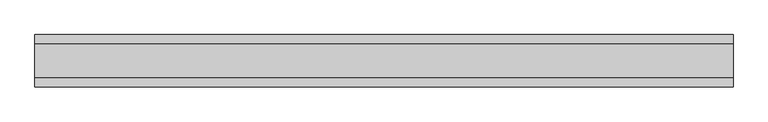
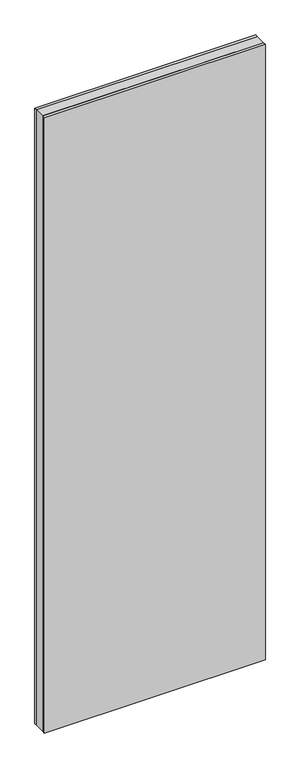
"""IFC4 building model written with IfcOpenShell, lengths in millimetres: plate geometry."""

from ifc_helpers import new_model, si_unit, origin, origin_with_axes, place, context, project, spatial, polyline, outline, extrude, source, transform, mapped, element, save


def plate_a12cace6(model_context):
    return source(origin(), model_context, "Body", "SweptSolid", [
        extrude(outline(polyline([(498.9415345, 24.2), (498.9415345, -24.2), (-498.9415345, -24.2), (-498.9415345, 24.2), (498.9415345, 24.2)])), origin_with_axes(), (0.0, 0.0, 1.0), 2936.0),
        extrude(outline(polyline([(498.9415345, 37.2), (498.9415345, 24.2), (-498.9415345, 24.2), (-498.9415345, 37.2), (498.9415345, 37.2)])), origin_with_axes(), (0.0, 0.0, 1.0), 2936.0),
        extrude(outline(polyline([(-498.9415345, -37.2), (-498.9415345, -24.2), (498.9415345, -24.2), (498.9415345, -37.2), (-498.9415345, -37.2)])), origin_with_axes(), (0.0, 0.0, 1.0), 2936.0),
    ])


if __name__ == "__main__":
    model = new_model("IFC4")
    model_context = context("Model", 3, world=origin())
    ifc_project = project(units=[si_unit("LENGTHUNIT", "METRE", prefix="MILLI")], contexts=[model_context])
    site = spatial("IfcSite", under=ifc_project)
    building = spatial("IfcBuilding", under=site)
    placement = place(None, origin())
    plate_shape = plate_a12cace6(model_context)
    element("IfcPlate", 1, at=placement, inside=building, context=model_context, shape_type="MappedRepresentation", body=[
        mapped(plate_shape, transform((0.0, 0.0, 0.0), x_axis=(1.0, 0.0, 0.0), y_axis=(0.0, 1.0, 0.0), z_axis=(0.0, 0.0, 1.0))),
    ])
    save(model, "model.ifc")
